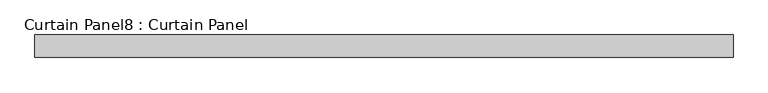
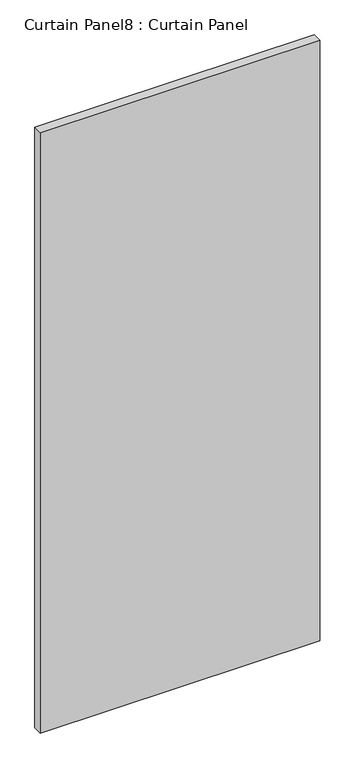
"""IFC4 building model written with IfcOpenShell, lengths in millimetres: plate geometry, Curtain Panel8 : Curtain Panel."""

from ifc_helpers import new_model, si_unit, frame, origin, place, context, project, spatial, polyline, outline, extrude, source, transform, mapped, element, save


def curtain_panel8_curtain_panel_4bbcd15d(model_context):
    return source(origin(), model_context, "Body", "SweptSolid", [
        extrude(outline(polyline([(-93289.424844, 92000.0166495), (-94325.3216513, 92000.0166495), (-94325.3216513, 92033.3541495), (-93289.424844, 92033.3541495), (-93289.424844, 92000.0166495)])), frame((0.0, 0.0, 66.6798917), z_axis=(0.0, 0.0, 1.0), x_axis=(1.0, 0.0, 0.0)), (0.0, 0.0, 1.0), 2352.6701083),
    ])


if __name__ == "__main__":
    model = new_model("IFC4")
    model_context = context("Model", 3, world=origin())
    ifc_project = project(units=[si_unit("LENGTHUNIT", "METRE", prefix="MILLI")], contexts=[model_context])
    site = spatial("IfcSite", under=ifc_project)
    building = spatial("IfcBuilding", under=site)
    placement = place(None, origin())
    curtain_panel8_curtain_panel_shape = curtain_panel8_curtain_panel_4bbcd15d(model_context)
    element("IfcPlate", 1, ObjectType="Curtain Panel8 : Curtain Panel", at=placement, inside=building, context=model_context, shape_type="MappedRepresentation", body=[
        mapped(curtain_panel8_curtain_panel_shape, transform((0.0, 0.0, 0.0), x_axis=(1.0, 0.0, 0.0), y_axis=(0.0, 1.0, 0.0), z_axis=(0.0, 0.0, 1.0))),
    ])
    save(model, "model.ifc")
